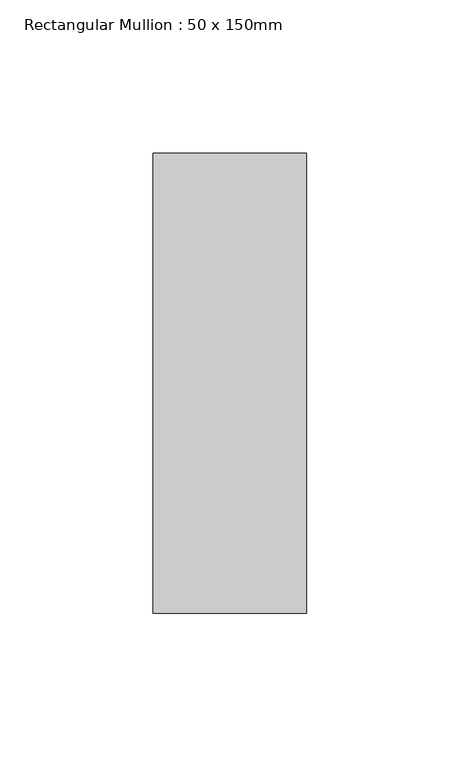
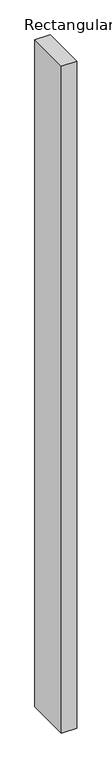
"""IFC4 building model written with IfcOpenShell, lengths in millimetres: member geometry, Rectangular Mullion : 50 x 150mm."""

from ifc_helpers import new_model, si_unit, frame, origin, place, context, project, spatial, polyline, outline, extrude, source, transform, mapped, element, save


def rectangular_mullion_50_x_150mm_8753ce05(model_context):
    return source(origin(), model_context, "Body", "SweptSolid", [
        extrude(outline(polyline([(0.0, 75.0), (0.0, -75.0), (-50.0, -75.0), (-50.0, 75.0), (0.0, 75.0)])), frame((0.0, 0.0, -2300.0), z_axis=(0.0, 0.0, 1.0), x_axis=(1.0, 0.0, 0.0)), (0.0, 0.0, 1.0), 2300.0),
    ])


if __name__ == "__main__":
    model = new_model("IFC4")
    model_context = context("Model", 3, world=origin())
    ifc_project = project(units=[si_unit("LENGTHUNIT", "METRE", prefix="MILLI")], contexts=[model_context])
    site = spatial("IfcSite", under=ifc_project)
    building = spatial("IfcBuilding", under=site)
    placement = place(None, origin())
    rectangular_mullion_50_x_150mm_shape = rectangular_mullion_50_x_150mm_8753ce05(model_context)
    element("IfcMember", 1, ObjectType="Rectangular Mullion : 50 x 150mm", at=placement, inside=building, context=model_context, shape_type="MappedRepresentation", body=[
        mapped(rectangular_mullion_50_x_150mm_shape, transform((0.0, 0.0, 0.0), x_axis=(1.0, 0.0, 0.0), y_axis=(0.0, 1.0, 0.0), z_axis=(0.0, 0.0, 1.0))),
    ])
    save(model, "model.ifc")
